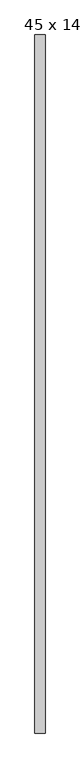
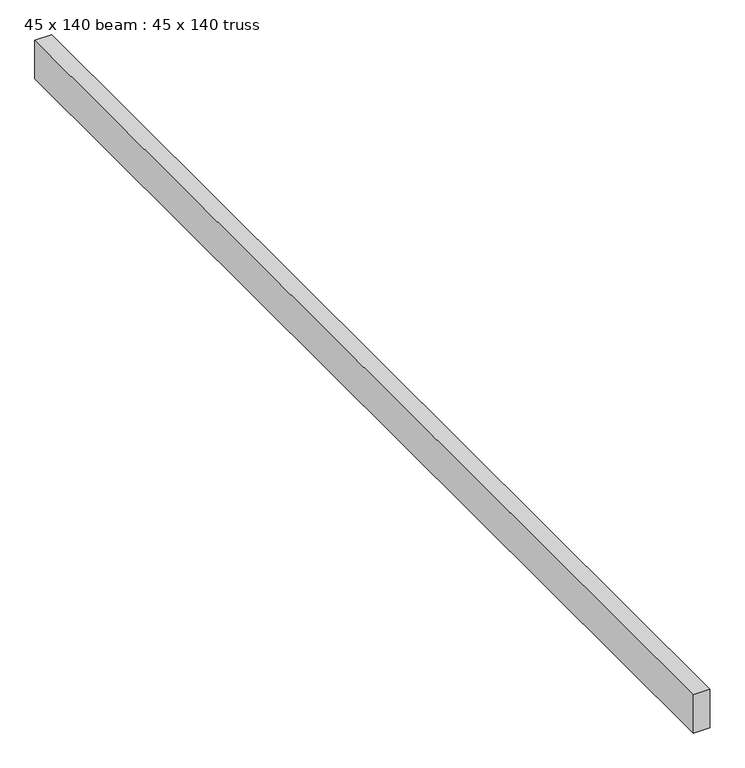
"""IFC4 building model written with IfcOpenShell, lengths in millimetres: proxy geometry, 45 x 140 beam : 45 x 140 truss."""

from ifc_helpers import new_model, si_unit, frame, origin, place, context, project, spatial, polyline, outline, extrude, source, transform, mapped, element, save


def proxy_45_x_140_beam_45_x_140_truss_f40cc2dd(model_context):
    return source(origin(), model_context, "Body", "SweptSolid", [
        extrude(outline(polyline([(-1195.0224589, -4569.589878), (-1240.0224589, -4569.589878), (-1240.0224589, -1479.589878), (-1195.0224589, -1479.589878), (-1195.0224589, -4569.589878)])), frame((0.0, 0.0, 3675.1978483), z_axis=(0.0, 0.0, 1.0), x_axis=(1.0, 0.0, 0.0)), (0.0, 0.0, 1.0), 109.0474323),
    ])


if __name__ == "__main__":
    model = new_model("IFC4")
    model_context = context("Model", 3, world=origin())
    ifc_project = project(units=[si_unit("LENGTHUNIT", "METRE", prefix="MILLI")], contexts=[model_context])
    site = spatial("IfcSite", under=ifc_project)
    building = spatial("IfcBuilding", under=site)
    placement = place(None, origin())
    proxy_45_x_140_beam_45_x_140_truss_shape = proxy_45_x_140_beam_45_x_140_truss_f40cc2dd(model_context)
    element("IfcBuildingElementProxy", 1, Name="45 x 140 beam : 45 x 140 truss", ObjectType="45 x 140 beam : 45 x 140 truss", at=placement, inside=building, context=model_context, shape_type="MappedRepresentation", body=[
        mapped(proxy_45_x_140_beam_45_x_140_truss_shape, transform((0.0, 0.0, 0.0), x_axis=(1.0, 0.0, 0.0), y_axis=(0.0, 1.0, 0.0), z_axis=(0.0, 0.0, 1.0))),
    ])
    save(model, "model.ifc")
